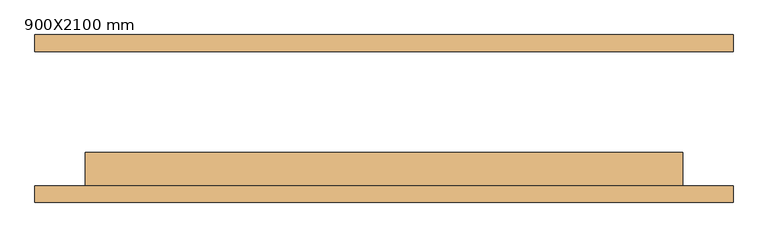
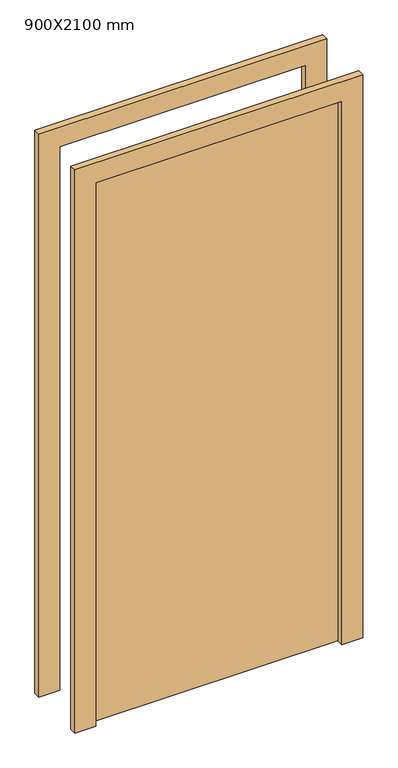
"""IFC4 building model written with IfcOpenShell, lengths in millimetres: door geometry, 900X2100 mm."""

from ifc_helpers import new_model, si_unit, frame, origin, origin_with_axes, place, context, project, spatial, polyline, outline, extrude, source, transform, mapped, element, save


def door_900x2100_mm_719ed540(model_context):
    return source(origin(), model_context, "Body", "SweptSolid", [
        extrude(outline(polyline([(2176.0, -526.0), (0.0, -526.0), (0.0, -450.0), (2100.0, -450.0), (2100.0, 450.0), (0.0, 450.0), (0.0, 526.0), (2176.0, 526.0), (2176.0, -526.0)])), frame((0.0, -126.6, 0.0), z_axis=(0.0, 1.0, 0.0), x_axis=(0.0, 0.0, 1.0)), (0.0, 0.0, 1.0), 25.0),
        extrude(outline(polyline([(2176.0, 526.0), (2176.0, -526.0), (0.0, -526.0), (0.0, -450.0), (2100.0, -450.0), (2100.0, 450.0), (0.0, 450.0), (0.0, 526.0), (2176.0, 526.0)])), frame((0.0, 101.6, 0.0), z_axis=(0.0, 1.0, 0.0), x_axis=(0.0, 0.0, 1.0)), (0.0, 0.0, 1.0), 25.0),
        extrude(outline(polyline([(450.0, -50.6), (450.0, -101.6), (-450.0, -101.6), (-450.0, -50.6), (450.0, -50.6)])), origin_with_axes(), (0.0, 0.0, 1.0), 2100.0),
    ])


if __name__ == "__main__":
    model = new_model("IFC4")
    model_context = context("Model", 3, world=origin())
    ifc_project = project(units=[si_unit("LENGTHUNIT", "METRE", prefix="MILLI")], contexts=[model_context])
    site = spatial("IfcSite", under=ifc_project)
    building = spatial("IfcBuilding", under=site)
    placement = place(None, origin())
    door_900x2100_mm_shape = door_900x2100_mm_719ed540(model_context)
    element("IfcDoor", 1, ObjectType="900X2100 mm", at=placement, inside=building, context=model_context, shape_type="MappedRepresentation", body=[
        mapped(door_900x2100_mm_shape, transform((0.0, 0.0, 0.0), x_axis=(1.0, 0.0, 0.0), y_axis=(0.0, 1.0, 0.0), z_axis=(0.0, 0.0, 1.0))),
    ])
    save(model, "model.ifc")
